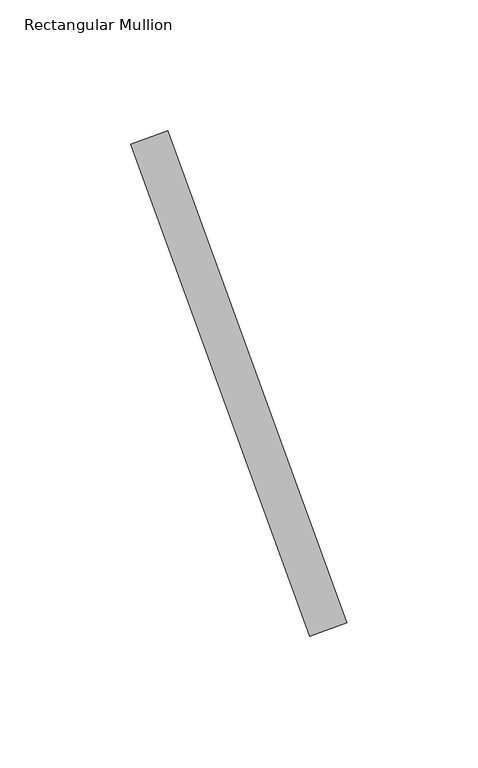
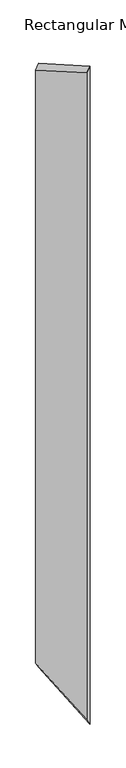
"""IFC4 building model written with IfcOpenShell, lengths in millimetres: member geometry, Rectangular Mullion."""

from ifc_helpers import new_model, si_unit, origin, place, context, project, spatial, faceted_brep, source, transform, mapped, element, save


def rectangular_mullion_6b175e39(model_context):
    return source(origin(), model_context, "Body", "Brep", [
        faceted_brep([(71.5020683, -240.3073841, 83.5270415), (3.0980396, -52.36886, 3.6190574), (3.0980396, -52.36886, -2156.1657326), (71.5020683, -240.3073841, -2273.206368), (85.5974576, -235.177082, 99.9929452), (85.5974576, -235.177082, -2297.3238558), (17.193429, -47.2385578, 20.084961), (17.193429, -47.2385578, -2180.2832203)], [[[0, 1, 2, 3]], [[4, 0, 3, 5]], [[6, 4, 5, 7]], [[1, 6, 7, 2]], [[1, 0, 4, 6]], [[2, 7, 5, 3]]]),
    ])


if __name__ == "__main__":
    model = new_model("IFC4")
    model_context = context("Model", 3, world=origin())
    ifc_project = project(units=[si_unit("LENGTHUNIT", "METRE", prefix="MILLI")], contexts=[model_context])
    site = spatial("IfcSite", under=ifc_project)
    building = spatial("IfcBuilding", under=site)
    placement = place(None, origin())
    rectangular_mullion_shape = rectangular_mullion_6b175e39(model_context)
    element("IfcMember", 1, ObjectType="Rectangular Mullion", at=placement, inside=building, context=model_context, shape_type="MappedRepresentation", body=[
        mapped(rectangular_mullion_shape, transform((0.0, 0.0, 0.0), x_axis=(1.0, 0.0, 0.0), y_axis=(0.0, 1.0, 0.0), z_axis=(0.0, 0.0, 1.0))),
    ])
    save(model, "model.ifc")
